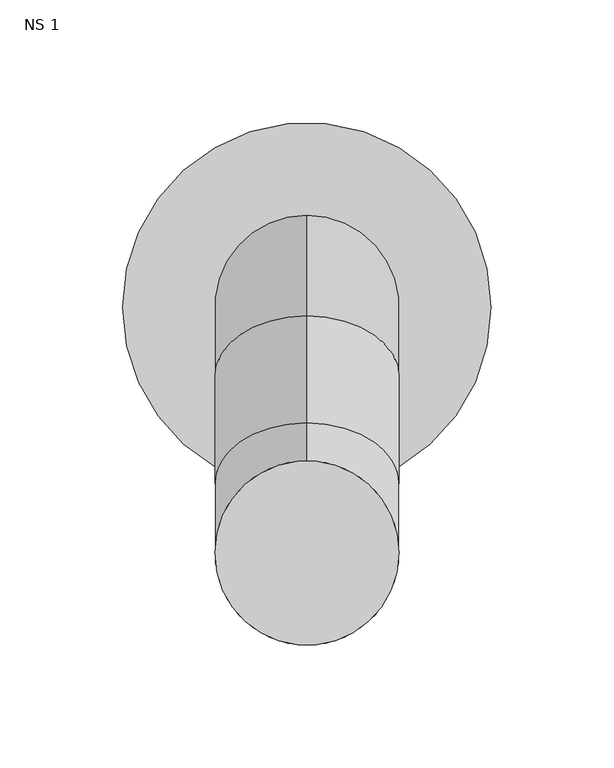
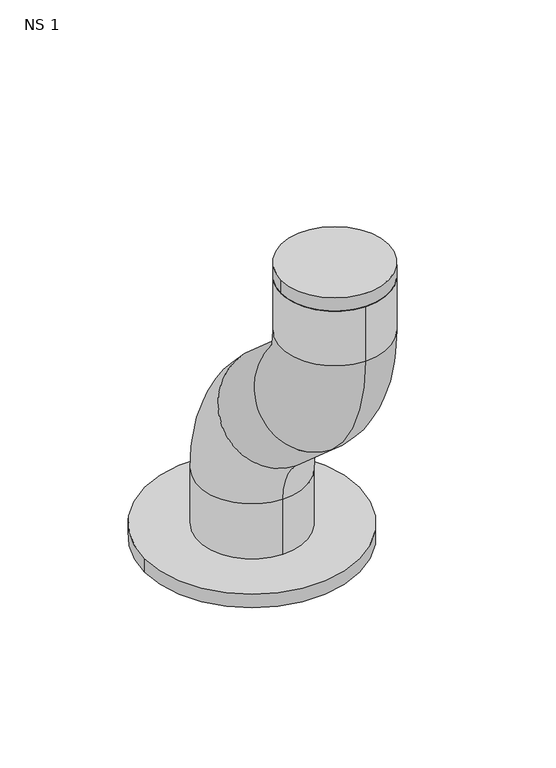
"""IFC4 building model written with IfcOpenShell, lengths in millimetres: unitary equipment geometry, NS 1."""

import ifcopenshell
import ifcopenshell.guid

model = None  # the IFC model being written
_history = None  # IfcOwnerHistory: only IFC2X3 demands one
_inside = {}  # id of a spatial element -> (the spatial element, [elements in it])
_under = {}  # id of a project, library or spatial element -> (it, [spatial elements below it])
_declared = {}  # id of a project -> (the project, [libraries it declares])
_typed = {}  # id of a type object -> (the type object, [elements of that type])
_made_of = {}  # id of a material, layer set ... -> (it, [elements and type objects made of it])


def new_model(schema):
    """Start an empty IFC model of exactly this schema.

    Asked for "IFC4X3", IfcOpenShell would pick the latest addendum, in which some entities
    have other attributes; the version numbers below select the first issue.
    IFC2X3 requires an IfcOwnerHistory on every rooted entity: one is made here for all.
    """
    global model, _history
    if schema == "IFC4X3":
        model = ifcopenshell.file(schema_version=(4, 3, 0, 0))
    else:
        model = ifcopenshell.file(schema=schema)
    _inside.clear()
    _under.clear()
    _declared.clear()
    _typed.clear()
    _made_of.clear()
    _history = None
    if model.schema == "IFC2X3":
        org = make("IfcOrganization", Name="unknown")
        user = make(
            "IfcPersonAndOrganization",
            ThePerson=make("IfcPerson", FamilyName="unknown"),
            TheOrganization=org,
        )
        app = make(
            "IfcApplication",
            ApplicationDeveloper=org,
            Version="unknown",
            ApplicationFullName="unknown",
            ApplicationIdentifier="unknown",
        )
        _history = make(
            "IfcOwnerHistory",
            OwningUser=user,
            OwningApplication=app,
            ChangeAction="ADDED",
            CreationDate=0,
        )
    return model


def make(cls, **values):
    """One entity of the class cls with the attributes given. An attribute that is None is left unset."""
    return model.create_entity(
        cls, **{name: value for name, value in values.items() if value is not None}
    )


def rooted(cls, **values):
    """An entity with a GlobalId (a new one), such as an element, a storey or a relation."""
    return make(cls, GlobalId=ifcopenshell.guid.new(), OwnerHistory=_history, **values)


def si_unit(unit_type, name, prefix=None):
    """IfcSIUnit, for example si_unit("LENGTHUNIT", "METRE", prefix="MILLI")."""
    return make("IfcSIUnit", UnitType=unit_type, Prefix=prefix, Name=name)


def assignment(units):
    """IfcUnitAssignment: the units of a project."""
    return None if units is None else make("IfcUnitAssignment", Units=units)


def point(xyz):
    """IfcCartesianPoint."""
    return None if xyz is None else make("IfcCartesianPoint", Coordinates=xyz)


def direction(xyz):
    """IfcDirection."""
    return None if xyz is None else make("IfcDirection", DirectionRatios=xyz)


def frame(location, z_axis=None, x_axis=None):
    """IfcAxis2Placement3D, a coordinate frame: its origin and axes. An axis left out is left unset."""
    return make(
        "IfcAxis2Placement3D",
        Location=point(location),
        Axis=direction(z_axis),
        RefDirection=direction(x_axis),
    )


def frame_2d(location, x_axis=None):
    """IfcAxis2Placement2D, a coordinate frame in the plane: its origin and x axis."""
    return make(
        "IfcAxis2Placement2D", Location=point(location), RefDirection=direction(x_axis)
    )


def origin():
    """The frame at (0, 0, 0) with its axes left unset."""
    return frame((0.0, 0.0, 0.0))


def place(relative_to, where):
    """IfcLocalPlacement: puts the frame where relative to a parent placement (None: the world)."""
    return make(
        "IfcLocalPlacement", PlacementRelTo=relative_to, RelativePlacement=where
    )


def context(
    kind, dimensions, precision=None, world=None, true_north=None, identifier=None
):
    """IfcGeometricRepresentationContext, for example the 3D "Model" context."""
    return make(
        "IfcGeometricRepresentationContext",
        ContextIdentifier=identifier,
        ContextType=kind,
        CoordinateSpaceDimension=dimensions,
        Precision=precision,
        WorldCoordinateSystem=world,
        TrueNorth=true_north,
    )


def project(units=None, contexts=None):
    """IfcProject with its units and contexts."""
    return rooted(
        "IfcProject",
        Name="project",
        RepresentationContexts=contexts,
        UnitsInContext=assignment(units),
    )


def spatial(cls, under=None, at=None, **own):
    """A site, building, storey or space (cls), placed at a placement, below another one or the project."""
    s = rooted(cls, ObjectPlacement=at, **own)
    if under is not None:
        _under.setdefault(under.id(), (under, []))[1].append(s)
    return s


def circle_curve(where, radius):
    """IfcCircle in the frame where."""
    return make("IfcCircle", Position=where, Radius=radius)


def ellipse_curve(where, semi_axis1, semi_axis2):
    """IfcEllipse in the frame where."""
    return make(
        "IfcEllipse", Position=where, SemiAxis1=semi_axis1, SemiAxis2=semi_axis2
    )


def trimmed(basis, trim1, trim2, sense, master):
    """IfcTrimmedCurve: the piece of a basis curve between two trims."""
    return make(
        "IfcTrimmedCurve",
        BasisCurve=basis,
        Trim1=trim1,
        Trim2=trim2,
        SenseAgreement=sense,
        MasterRepresentation=master,
    )


def segment(curve, same_sense, transition):
    """IfcCompositeCurveSegment."""
    return make(
        "IfcCompositeCurveSegment",
        Transition=transition,
        SameSense=same_sense,
        ParentCurve=curve,
    )


def composite_curve(segments, self_intersect=None):
    """IfcCompositeCurve: segments joined end to end."""
    return make("IfcCompositeCurve", Segments=segments, SelfIntersect=self_intersect)


def outline(outer, holes=None, kind="AREA"):
    """IfcArbitraryClosedProfileDef: a profile drawn as a closed curve; with holes, ...WithVoids."""
    if holes is None:
        return make("IfcArbitraryClosedProfileDef", ProfileType=kind, OuterCurve=outer)
    return make(
        "IfcArbitraryProfileDefWithVoids",
        ProfileType=kind,
        OuterCurve=outer,
        InnerCurves=holes,
    )


def extrude(swept, where, along, depth):
    """IfcExtrudedAreaSolid: the profile swept, set in the frame where, extruded along a direction by depth."""
    return make(
        "IfcExtrudedAreaSolid",
        SweptArea=swept,
        Position=where,
        ExtrudedDirection=direction(along),
        Depth=depth,
    )


def shape(context_of_items, identifier, shape_type, items):
    """IfcShapeRepresentation: the items that make up one representation, for example the "Body"."""
    return make(
        "IfcShapeRepresentation",
        ContextOfItems=context_of_items,
        RepresentationIdentifier=identifier,
        RepresentationType=shape_type,
        Items=items,
    )


def source(mapping_origin, context_of_items, identifier, shape_type, items):
    """IfcRepresentationMap: a shape defined once, which mapped items show again and again."""
    return make(
        "IfcRepresentationMap",
        MappingOrigin=mapping_origin,
        MappedRepresentation=shape(context_of_items, identifier, shape_type, items),
    )


def transform(
    local_origin,
    x_axis=None,
    y_axis=None,
    z_axis=None,
    scale=None,
    scale2=None,
    scale3=None,
    uniform=True,
):
    """IfcCartesianTransformationOperator3D, or its non-uniform kind. x_axis, y_axis, z_axis: its Axis1, 2, 3."""
    if uniform:
        return make(
            "IfcCartesianTransformationOperator3D",
            Axis1=direction(x_axis),
            Axis2=direction(y_axis),
            LocalOrigin=point(local_origin),
            Scale=scale,
            Axis3=direction(z_axis),
        )
    return make(
        "IfcCartesianTransformationOperator3DnonUniform",
        Axis1=direction(x_axis),
        Axis2=direction(y_axis),
        LocalOrigin=point(local_origin),
        Scale=scale,
        Axis3=direction(z_axis),
        Scale2=scale2,
        Scale3=scale3,
    )


def mapped(mapping_source, mapping_target):
    """IfcMappedItem: shows the shape of a source again, moved by a transform."""
    return make(
        "IfcMappedItem", MappingSource=mapping_source, MappingTarget=mapping_target
    )


def made_of(thing, what):
    """Note that an element or type object is made of a material, layer set ...; save() writes the relation."""
    if what is not None:
        _made_of.setdefault(what.id(), (what, []))[1].append(thing)
    return thing


def element(
    cls,
    number,
    at=None,
    inside=None,
    cuts=None,
    type_object=None,
    material=None,
    context=None,
    identifier="Body",
    shape_type=None,
    held_by="IfcProductDefinitionShape",
    body=None,
    shapes=None,
    **own,
):
    """One element of the class cls, such as IfcWall. Its Tag is "e" and its number.

    at: its placement. inside: the storey or other place that contains it. cuts: it is an
    opening in that element (IfcRelVoidsElement). A single representation is given by context,
    identifier, shape_type and body (its items); several are given by shapes. held_by: the class
    of the entity that holds the representations. save() writes the other relations.
    """
    e = rooted(cls, Tag="e%d" % number, ObjectPlacement=at, **own)
    if body is not None:
        shapes = [shape(context, identifier, shape_type, body)]
    if shapes is not None:
        e.Representation = make(held_by, Representations=shapes)
    if inside is not None:
        _inside.setdefault(inside.id(), (inside, []))[1].append(e)
    if cuts is not None:
        rooted(
            "IfcRelVoidsElement", RelatingBuildingElement=cuts, RelatedOpeningElement=e
        )
    if type_object is not None:
        _typed.setdefault(type_object.id(), (type_object, []))[1].append(e)
    return made_of(e, material)


def aggregate(whole, parts):
    """IfcRelAggregates: a whole, such as a stair, and the parts it consists of."""
    return rooted("IfcRelAggregates", RelatingObject=whole, RelatedObjects=parts)


def save(model, path):
    """Write the relations noted so far, then the file.

    IfcRelAggregates (storeys below a building ...), IfcRelContainedInSpatialStructure (elements
    in a storey), IfcRelDefinesByType, IfcRelAssociatesMaterial and IfcRelDeclares: one each for
    every whole, place, type object, material and project.
    """
    for whole, parts in _under.values():
        aggregate(whole, parts)
    for where, things in _inside.values():
        rooted(
            "IfcRelContainedInSpatialStructure",
            RelatedElements=things,
            RelatingStructure=where,
        )
    for kind, things in _typed.values():
        rooted("IfcRelDefinesByType", RelatedObjects=things, RelatingType=kind)
    for what, things in _made_of.values():
        rooted("IfcRelAssociatesMaterial", RelatedObjects=things, RelatingMaterial=what)
    for by, libraries in _declared.values():
        rooted("IfcRelDeclares", RelatingContext=by, RelatedDefinitions=libraries)
    model.write(path)


def plane_surface(at):
    """IfcPlane: the flat surface through the origin of the frame at, square to its z axis."""
    return make("IfcPlane", Position=at)


def cylinder_surface(at, radius):
    """IfcCylindricalSurface: all points at the distance radius from the z axis of the frame at."""
    return make("IfcCylindricalSurface", Position=at, Radius=radius)


def revolved_surface(curve, axis_point, axis_direction):
    """IfcSurfaceOfRevolution: the curve turned about the line through axis_point along axis_direction."""
    return make(
        "IfcSurfaceOfRevolution",
        SweptCurve=make("IfcArbitraryOpenProfileDef", ProfileType="CURVE", Curve=curve),
        AxisPosition=make("IfcAxis1Placement", Location=point(axis_point), Axis=direction(axis_direction)),
    )


def advanced_brep(points, edges, surfaces, faces):
    """IfcAdvancedBrep: a solid bounded by faces that lie on surfaces and meet in shared edges.

    An edge is (start, end): straight between two places in points (the first is 0);
    or (start, end, curve); or (start, end, curve, False) where it runs against its curve.
    A face is (place in surfaces, loops), or (place, loops, False) where it looks against
    its surface's normal. A loop lists edges by number (the first is 1), with a minus sign
    where the edge is run from its end to its start. The first loop is the outer one.
    """
    corners = [point(p) for p in points]
    vertices = [make("IfcVertexPoint", VertexGeometry=c) for c in corners]
    made = []
    for start, end, *more in edges:
        made.append(
            make(
                "IfcEdgeCurve",
                EdgeStart=vertices[start],
                EdgeEnd=vertices[end],
                EdgeGeometry=more[0] if more else make("IfcPolyline", Points=[corners[start], corners[end]]),
                SameSense=more[1] if len(more) > 1 else True,
            )
        )
    hull = []
    for where, loops, *sense in faces:
        bounds = []
        for j, loop in enumerate(loops):
            ring = [make("IfcOrientedEdge", EdgeElement=made[abs(k) - 1], Orientation=k > 0) for k in loop]
            bounds.append(
                make(
                    "IfcFaceOuterBound" if j == 0 else "IfcFaceBound",
                    Bound=make("IfcEdgeLoop", EdgeList=ring),
                    Orientation=True,
                )
            )
        hull.append(make("IfcAdvancedFace", Bounds=bounds, FaceSurface=surfaces[where], SameSense=sense[0] if sense else True))
    return make("IfcAdvancedBrep", Outer=make("IfcClosedShell", CfsFaces=hull))


def ns_1_d4fab75c(model_context):
    return source(origin(), model_context, "Body", "SolidModel", [
        advanced_brep(
        [(137.5, -22.5, 1027.0), (137.5, -97.5, 1027.0), (137.5, -22.5, 1077.1666667), (137.5, -97.5, 1077.1666667), (137.5, -112.9188525, 1111.1888735), (137.5, -63.4777932, 1167.5855192), (137.5, -107.0811475, 1205.8111265), (137.5, -156.5222068, 1149.4144808), (137.5, -197.5, 1239.8333333), (137.5, -122.5, 1239.8333333), (137.5, -122.5, 1280.0), (137.5, -197.5, 1280.0)],
        [
            (0, 1, circle_curve(frame((137.5, -60.0, 1027.0), z_axis=(0.0, 0.0, -1.0), x_axis=(0.0, -1.0, 0.0)), 37.5)),
            (1, 0, circle_curve(frame((137.5, -60.0, 1027.0), z_axis=(0.0, 0.0, -1.0), x_axis=(0.0, -1.0, 0.0)), 37.5)),
            (0, 2),
            (2, 3, circle_curve(frame((137.5, -60.0, 1077.1666667), z_axis=(0.0, 0.0, -1.0), x_axis=(0.0, -1.0, 0.0)), 37.5)),
            (3, 1),
            (3, 2, circle_curve(frame((137.5, -60.0, 1077.1666667), z_axis=(0.0, 0.0, -1.0), x_axis=(0.0, -1.0, 0.0)), 37.5)),
            (4, 3, circle_curve(frame((137.5, -142.7449872, 1077.1666667), z_axis=(-1.0, 0.0, 0.0), x_axis=(0.0, 1.0, 0.0)), 45.2449872)),
            (2, 5, circle_curve(frame((137.5, -142.7449872, 1077.1666667), z_axis=(1.0, 0.0, 0.0), x_axis=(0.0, 1.0, 0.0)), 120.2449872)),
            (5, 4, circle_curve(frame((137.5, -88.1983228, 1139.3871964), z_axis=(0.0, 0.7519552759659777, -0.6592141252635069), x_axis=(0.0, -0.6592141252635069, -0.7519552759659777)), 37.5)),
            (4, 5, circle_curve(frame((137.5, -88.1983228, 1139.3871964), z_axis=(0.0, 0.7519552759659779, -0.6592141252635065), x_axis=(0.0, -0.6592141252635065, -0.7519552759659779)), 37.5)),
            (5, 6),
            (6, 7, circle_curve(frame((137.5, -131.8016772, 1177.6128036), z_axis=(0.0, 0.7519552759659772, -0.6592141252635073), x_axis=(0.0, -0.6592141252635073, -0.7519552759659772)), 37.5)),
            (7, 4),
            (7, 6, circle_curve(frame((137.5, -131.8016772, 1177.6128036), z_axis=(0.0, 0.7519552759659772, -0.6592141252635073), x_axis=(0.0, -0.6592141252635073, -0.7519552759659772)), 37.5)),
            (8, 7, circle_curve(frame((137.5, -77.2550128, 1239.8333333), z_axis=(1.0, 0.0, 0.0), x_axis=(0.0, -0.6592141252635073, -0.7519552759659771)), 120.2449872)),
            (6, 9, circle_curve(frame((137.5, -77.2550128, 1239.8333333), z_axis=(-1.0, 0.0, 0.0), x_axis=(0.0, -0.6592141252635073, -0.7519552759659771)), 45.2449872)),
            (9, 8, circle_curve(frame((137.5, -160.0, 1239.8333333), z_axis=(0.0, 0.0, -1.0), x_axis=(0.0, -1.0, 0.0)), 37.5)),
            (8, 9, circle_curve(frame((137.5, -160.0, 1239.8333333), z_axis=(0.0, 0.0, -1.0), x_axis=(0.0, -1.0, 0.0)), 37.5)),
            (10, 11, circle_curve(frame((137.5, -160.0, 1280.0), z_axis=(0.0, 0.0, 1.0), x_axis=(0.0, -1.0, 0.0)), 37.5)),
            (11, 10, circle_curve(frame((137.5, -160.0, 1280.0), z_axis=(0.0, 0.0, 1.0), x_axis=(0.0, -1.0, 0.0)), 37.5)),
            (9, 10),
            (11, 8),
        ],
        [
            plane_surface(frame((137.5, -60.0, 1027.0), z_axis=(0.0, 0.0, -1.0), x_axis=(1.0, 0.0, 0.0))),
            cylinder_surface(frame((137.5, -60.0, 1027.0), z_axis=(0.0, 0.0, -1.0), x_axis=(0.0, -1.0, 0.0)), 37.5),
            revolved_surface(trimmed(ellipse_curve(frame((137.5, -60.0, 1077.1666667), z_axis=(0.0, 0.0, -1.0), x_axis=(0.0, -1.0, 0.0)), 37.5, 37.5), [point((137.5, -22.5, 1077.1666667))], [point((137.5, -97.5, 1077.1666667))], True, "CARTESIAN"), (137.5, -142.7449872, 1077.1666667), (1.0, 0.0, 0.0)),
            revolved_surface(trimmed(ellipse_curve(frame((137.5, -60.0, 1077.1666667), z_axis=(0.0, 0.0, -1.0), x_axis=(0.0, -1.0, 0.0)), 37.5, 37.5), [point((137.5, -97.5, 1077.1666667))], [point((137.5, -22.5, 1077.1666667))], True, "CARTESIAN"), (137.5, -142.7449872, 1077.1666667), (1.0, 0.0, 0.0)),
            cylinder_surface(frame((137.5, -88.1983228, 1139.3871964), z_axis=(0.0, 0.7519552759659772, -0.6592141252635073), x_axis=(0.0, -0.6592141252635073, -0.7519552759659772)), 37.5),
            revolved_surface(trimmed(ellipse_curve(frame((137.5, -131.8016772, 1177.6128036), z_axis=(0.0, 0.7519552759659771, -0.6592141252635073), x_axis=(0.0, -0.6592141252635073, -0.7519552759659771)), 37.5, 37.5), [point((137.5, -107.0811475, 1205.8111265))], [point((137.5, -156.5222068, 1149.4144808))], True, "CARTESIAN"), (137.5, -77.2550128, 1239.8333333), (-1.0, 0.0, 0.0)),
            revolved_surface(trimmed(ellipse_curve(frame((137.5, -131.8016772, 1177.6128036), z_axis=(0.0, 0.7519552759659771, -0.6592141252635073), x_axis=(0.0, -0.6592141252635073, -0.7519552759659771)), 37.5, 37.5), [point((137.5, -156.5222068, 1149.4144808))], [point((137.5, -107.0811475, 1205.8111265))], True, "CARTESIAN"), (137.5, -77.2550128, 1239.8333333), (-1.0, 0.0, 0.0)),
            plane_surface(frame((137.5, -160.0, 1280.0), z_axis=(0.0, 0.0, 1.0), x_axis=(1.0, 0.0, 0.0))),
            cylinder_surface(frame((137.5, -160.0, 1239.8333333), z_axis=(0.0, 0.0, -1.0), x_axis=(0.0, -1.0, 0.0)), 37.5),
        ],
        [
            (0, [[1, 2]]),
            (1, [[-1, 3, 4, 5]]),
            (1, [[-2, -5, 6, -3]]),
            (2, [[7, -4, 8, 9]]),
            (3, [[-8, -6, -7, 10]]),
            (4, [[-9, 11, 12, 13]]),
            (4, [[-10, -13, 14, -11]]),
            (5, [[15, -12, 16, 17]]),
            (6, [[-16, -14, -15, 18]]),
            (7, [[19, 20]]),
            (8, [[-17, 21, -20, 22]]),
            (8, [[-18, -22, -19, -21]]),
        ],
    ),
        extrude(outline(composite_curve([segment(trimmed(circle_curve(frame_2d((137.5, -160.0)), 37.5), [point((100.0, -160.0))], [point((175.0, -160.0))], False, "CARTESIAN"), True, "CONTINUOUS"), segment(trimmed(circle_curve(frame_2d((137.5, -160.0)), 37.5), [point((175.0, -160.0))], [point((100.0, -160.0))], False, "CARTESIAN"), True, "CONTINUOUS")], self_intersect=False)), frame((0.0, 0.0, 1280.0), z_axis=(0.0, 0.0, 1.0), x_axis=(1.0, 0.0, 0.0)), (0.0, 0.0, 1.0), 10.0),
        extrude(outline(composite_curve([segment(trimmed(circle_curve(frame_2d((137.5, -60.0)), 75.0), [point((62.5, -60.0))], [point((212.5, -60.0))], False, "CARTESIAN"), True, "CONTINUOUS"), segment(trimmed(circle_curve(frame_2d((137.5, -60.0)), 75.0), [point((212.5, -60.0))], [point((62.5, -60.0))], False, "CARTESIAN"), True, "CONTINUOUS")], self_intersect=False)), frame((0.0, 0.0, 1027.0), z_axis=(0.0, 0.0, 1.0), x_axis=(1.0, 0.0, 0.0)), (0.0, 0.0, 1.0), 10.0),
    ])


if __name__ == "__main__":
    model = new_model("IFC4")
    model_context = context("Model", 3, world=origin())
    ifc_project = project(units=[si_unit("LENGTHUNIT", "METRE", prefix="MILLI")], contexts=[model_context])
    site = spatial("IfcSite", under=ifc_project)
    building = spatial("IfcBuilding", under=site)
    placement = place(None, origin())
    ns_1_shape = ns_1_d4fab75c(model_context)
    element("IfcUnitaryEquipment", 1, ObjectType="NS 1", at=placement, inside=building, context=model_context, shape_type="MappedRepresentation", body=[
        mapped(ns_1_shape, transform((0.0, 0.0, 0.0), x_axis=(1.0, 0.0, 0.0), y_axis=(0.0, 1.0, 0.0), z_axis=(0.0, 0.0, 1.0))),
    ])
    save(model, "model.ifc")
